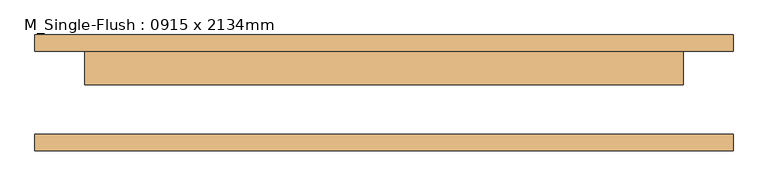
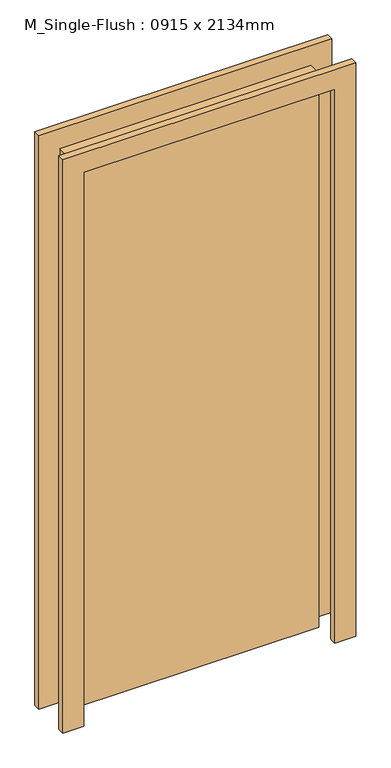
"""IFC4 building model written with IfcOpenShell, lengths in millimetres: door geometry, M_Single-Flush : 0915 x 2134mm."""

from ifc_helpers import new_model, si_unit, frame, origin, origin_with_axes, place, context, project, spatial, polyline, outline, extrude, source, transform, mapped, element, save


def m_single_flush_0915_x_2134mm_3aa81ef5(model_context):
    return source(origin(), model_context, "Body", "SweptSolid", [
        extrude(outline(polyline([(2210.0, -533.5), (0.0, -533.5), (0.0, -457.5), (2134.0, -457.5), (2134.0, 457.5), (0.0, 457.5), (0.0, 533.5), (2210.0, 533.5), (2210.0, -533.5)])), frame((0.0, 63.5, 0.0), z_axis=(0.0, 1.0, 0.0), x_axis=(0.0, 0.0, 1.0)), (0.0, 0.0, 1.0), 25.0),
        extrude(outline(polyline([(2210.0, 533.5), (2210.0, -533.5), (0.0, -533.5), (0.0, -457.5), (2134.0, -457.5), (2134.0, 457.5), (0.0, 457.5), (0.0, 533.5), (2210.0, 533.5)])), frame((0.0, -88.5, 0.0), z_axis=(0.0, 1.0, 0.0), x_axis=(0.0, 0.0, 1.0)), (0.0, 0.0, 1.0), 25.0),
        extrude(outline(polyline([(457.5, 12.5), (-457.5, 12.5), (-457.5, 63.5), (457.5, 63.5), (457.5, 12.5)])), origin_with_axes(), (0.0, 0.0, 1.0), 2134.0),
    ])


if __name__ == "__main__":
    model = new_model("IFC4")
    model_context = context("Model", 3, world=origin())
    ifc_project = project(units=[si_unit("LENGTHUNIT", "METRE", prefix="MILLI")], contexts=[model_context])
    site = spatial("IfcSite", under=ifc_project)
    building = spatial("IfcBuilding", under=site)
    placement = place(None, origin())
    m_single_flush_0915_x_2134mm_shape = m_single_flush_0915_x_2134mm_3aa81ef5(model_context)
    element("IfcDoor", 1, ObjectType="M_Single-Flush : 0915 x 2134mm", at=placement, inside=building, context=model_context, shape_type="MappedRepresentation", body=[
        mapped(m_single_flush_0915_x_2134mm_shape, transform((0.0, 0.0, 0.0), x_axis=(1.0, 0.0, 0.0), y_axis=(0.0, 1.0, 0.0), z_axis=(0.0, 0.0, 1.0))),
    ])
    save(model, "model.ifc")
